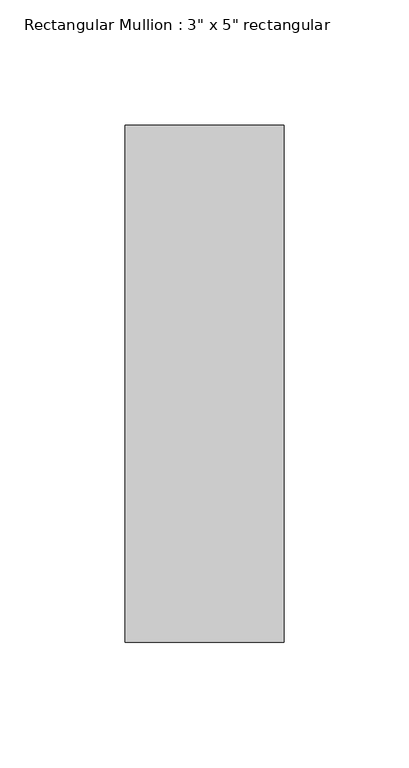
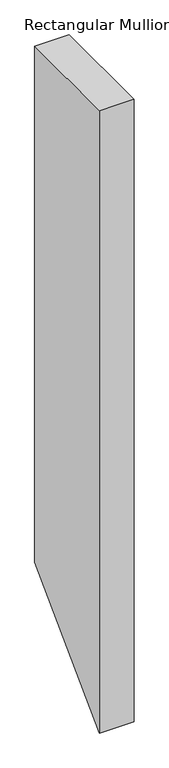
"""IFC4 building model written with IfcOpenShell, lengths in millimetres: member geometry."""

from ifc_helpers import new_model, si_unit, frame, origin, place, context, project, spatial, polyline, outline, extrude, source, transform, mapped, element, save


def member_6a355786(model_context):
    return source(origin(), model_context, "Body", "SweptSolid", [
        extrude(outline(polyline([(-115.951, 0.0), (90.551, 0.0), (90.551, -1001.649), (-115.951, -1208.151), (-115.951, 0.0)])), frame((-63.5, 0.0, 0.0), z_axis=(1.0, 0.0, 0.0), x_axis=(0.0, 1.0, 0.0)), (0.0, 0.0, 1.0), 63.5),
    ])


if __name__ == "__main__":
    model = new_model("IFC4")
    model_context = context("Model", 3, world=origin())
    ifc_project = project(units=[si_unit("LENGTHUNIT", "METRE", prefix="MILLI")], contexts=[model_context])
    site = spatial("IfcSite", under=ifc_project)
    building = spatial("IfcBuilding", under=site)
    placement = place(None, origin())
    member_shape = member_6a355786(model_context)
    element("IfcMember", 1, ObjectType="Rectangular Mullion : 3\" x 5\" rectangular", at=placement, inside=building, context=model_context, shape_type="MappedRepresentation", body=[
        mapped(member_shape, transform((0.0, 0.0, 0.0), x_axis=(1.0, 0.0, 0.0), y_axis=(0.0, 1.0, 0.0), z_axis=(0.0, 0.0, 1.0))),
    ])
    save(model, "model.ifc")
